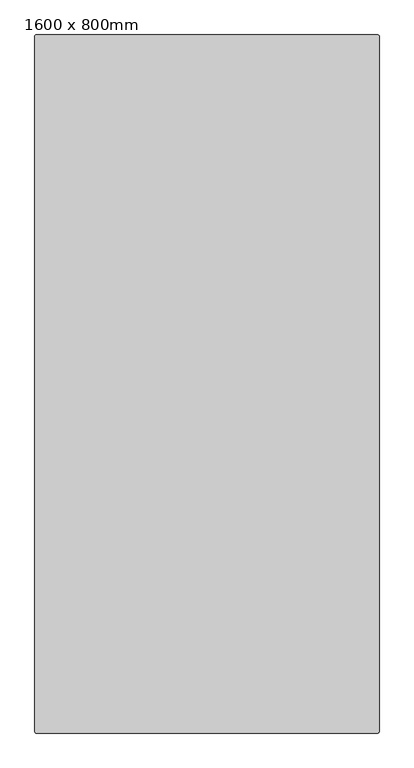
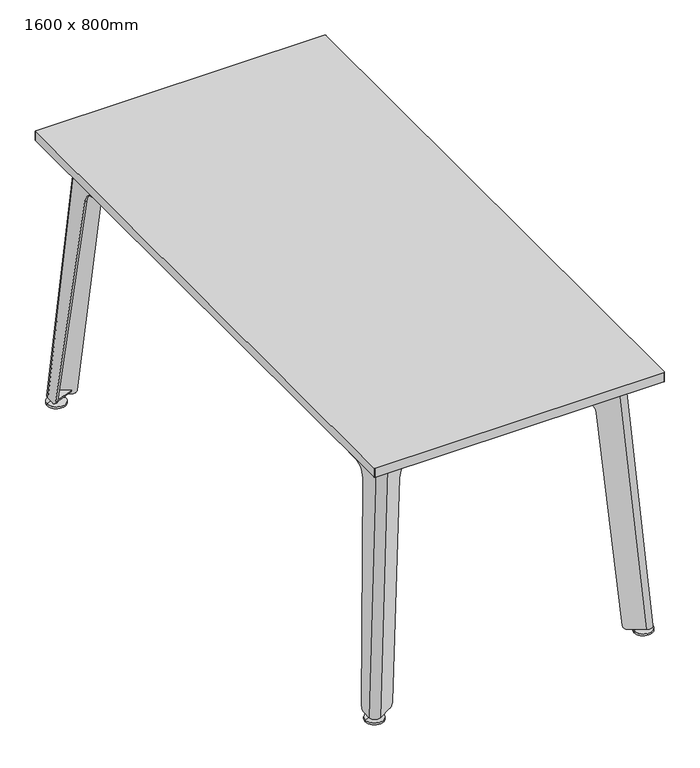
"""IFC4 building model written with IfcOpenShell, lengths in millimetres: furniture geometry, 1600 x 800mm."""

from ifc_helpers import new_model, si_unit, point, frame, frame_2d, origin, place, context, project, spatial, polyline, circle_curve, ellipse_curve, trimmed, segment, composite_curve, outline, extrude, faceted_brep, source, transform, mapped, element, save
from ifc_brep_helpers import plane_surface, cylinder_surface, revolved_surface, extruded_surface, advanced_brep


def furniture_1600_x_800mm_7e62d17c(model_context):
    return source(origin(), model_context, "Body", "SolidModel", [
        advanced_brep(
        [(361.05, -739.6, 0.0), (336.05, -739.6, 0.0), (386.05, -739.6, 0.0), (336.05, -739.6, 5.0), (386.05, -739.6, 5.0), (356.05, -739.6, 14.0), (366.05, -739.6, 14.0), (361.05, -739.6, 14.0)],
        [
            (0, 1),
            (1, 2, circle_curve(frame((361.05, -739.6, 0.0), z_axis=(0.0, 0.0, -1.0), x_axis=(-1.0, 0.0, 0.0)), 25.0)),
            (2, 0),
            (2, 1, circle_curve(frame((361.05, -739.6, 0.0), z_axis=(0.0, 0.0, -1.0), x_axis=(-1.0, 0.0, 0.0)), 25.0)),
            (1, 3),
            (3, 4, circle_curve(frame((361.05, -739.6, 5.0), z_axis=(0.0, 0.0, -1.0), x_axis=(-1.0, 0.0, 0.0)), 25.0)),
            (4, 2),
            (4, 3, circle_curve(frame((361.05, -739.6, 5.0), z_axis=(0.0, 0.0, -1.0), x_axis=(-1.0, 0.0, 0.0)), 25.0)),
            (3, 5),
            (5, 6, circle_curve(frame((361.05, -739.6, 14.0), z_axis=(0.0, 0.0, -1.0), x_axis=(-1.0, 0.0, 0.0)), 5.0)),
            (6, 4),
            (6, 5, circle_curve(frame((361.05, -739.6, 14.0), z_axis=(0.0, 0.0, -1.0), x_axis=(-1.0, 0.0, 0.0)), 5.0)),
            (5, 7),
            (7, 6),
        ],
        [
            plane_surface(frame((361.05, -739.6, 0.0), z_axis=(0.0, 0.0, -1.0), x_axis=(-1.0, 0.0, 0.0))),
            cylinder_surface(frame((361.05, -739.6, -2.6616967), z_axis=(0.0, 0.0, -1.0), x_axis=(-1.0, 0.0, 0.0)), 25.0),
            revolved_surface(polyline([(356.05, -739.6, 14.0), (336.05, -739.6, 5.0)]), (361.05, -739.6, -2.6616967), (0.0, 0.0, -1.0)),
            plane_surface(frame((361.05, -739.6, 14.0), z_axis=(0.0, 0.0, 1.0), x_axis=(-1.0, 0.0, 0.0))),
        ],
        [
            (0, [[1, 2, 3]]),
            (0, [[-3, 4, -1]]),
            (1, [[-2, 5, 6, 7]]),
            (1, [[-4, -7, 8, -5]]),
            (2, [[-6, 9, 10, 11]]),
            (2, [[-8, -11, 12, -9]]),
            (3, [[-10, 13, 14]]),
            (3, [[-12, -14, -13]]),
        ],
    ),
        advanced_brep(
        [(386.05, 739.6, 0.0), (336.05, 739.6, 0.0), (361.05, 739.6, 0.0), (386.05, 739.6, 5.0), (336.05, 739.6, 5.0), (366.05, 739.6, 14.0), (356.05, 739.6, 14.0), (361.05, 739.6, 14.0)],
        [
            (0, 1, circle_curve(frame((361.05, 739.6, 0.0), z_axis=(0.0, 0.0, -1.0), x_axis=(-1.0, 0.0, 0.0)), 25.0)),
            (1, 2),
            (2, 0),
            (1, 0, circle_curve(frame((361.05, 739.6, 0.0), z_axis=(0.0, 0.0, -1.0), x_axis=(-1.0, 0.0, 0.0)), 25.0)),
            (3, 4, circle_curve(frame((361.05, 739.6, 5.0), z_axis=(0.0, 0.0, -1.0), x_axis=(-1.0, 0.0, 0.0)), 25.0)),
            (4, 1),
            (0, 3),
            (4, 3, circle_curve(frame((361.05, 739.6, 5.0), z_axis=(0.0, 0.0, -1.0), x_axis=(-1.0, 0.0, 0.0)), 25.0)),
            (5, 6, circle_curve(frame((361.05, 739.6, 14.0), z_axis=(0.0, 0.0, -1.0), x_axis=(-1.0, 0.0, 0.0)), 5.0)),
            (6, 4),
            (3, 5),
            (6, 5, circle_curve(frame((361.05, 739.6, 14.0), z_axis=(0.0, 0.0, -1.0), x_axis=(-1.0, 0.0, 0.0)), 5.0)),
            (7, 6),
            (5, 7),
        ],
        [
            plane_surface(frame((361.05, 739.6, 0.0), z_axis=(0.0, 0.0, -1.0), x_axis=(-1.0, 0.0, 0.0))),
            cylinder_surface(frame((361.05, 739.6, -2.6616967), z_axis=(0.0, 0.0, 1.0), x_axis=(-1.0, 0.0, 0.0)), 25.0),
            revolved_surface(polyline([(336.05, 739.6, 5.0), (356.05, 739.6, 14.0)]), (361.05, 739.6, -2.6616967), (0.0, 0.0, 1.0)),
            plane_surface(frame((361.05, 739.6, 14.0), z_axis=(0.0, 0.0, 1.0), x_axis=(-1.0, 0.0, 0.0))),
        ],
        [
            (0, [[1, 2, 3]]),
            (0, [[4, -3, -2]]),
            (1, [[5, 6, -1, 7]]),
            (1, [[8, -7, -4, -6]]),
            (2, [[9, 10, -5, 11]]),
            (2, [[12, -11, -8, -10]]),
            (3, [[13, -9, 14]]),
            (3, [[-14, -12, -13]]),
        ],
    ),
        advanced_brep(
        [(-386.05, -739.6, 0.0), (-336.05, -739.6, 0.0), (-361.05, -739.6, 0.0), (-386.05, -739.6, 5.0), (-336.05, -739.6, 5.0), (-366.05, -739.6, 14.0), (-356.05, -739.6, 14.0), (-361.05, -739.6, 14.0)],
        [
            (0, 1, circle_curve(frame((-361.05, -739.6, 0.0), z_axis=(0.0, 0.0, -1.0), x_axis=(1.0, 0.0, 0.0)), 25.0)),
            (1, 2),
            (2, 0),
            (1, 0, circle_curve(frame((-361.05, -739.6, 0.0), z_axis=(0.0, 0.0, -1.0), x_axis=(1.0, 0.0, 0.0)), 25.0)),
            (3, 4, circle_curve(frame((-361.05, -739.6, 5.0), z_axis=(0.0, 0.0, -1.0), x_axis=(1.0, 0.0, 0.0)), 25.0)),
            (4, 1),
            (0, 3),
            (4, 3, circle_curve(frame((-361.05, -739.6, 5.0), z_axis=(0.0, 0.0, -1.0), x_axis=(1.0, 0.0, 0.0)), 25.0)),
            (5, 6, circle_curve(frame((-361.05, -739.6, 14.0), z_axis=(0.0, 0.0, -1.0), x_axis=(1.0, 0.0, 0.0)), 5.0)),
            (6, 4),
            (3, 5),
            (6, 5, circle_curve(frame((-361.05, -739.6, 14.0), z_axis=(0.0, 0.0, -1.0), x_axis=(1.0, 0.0, 0.0)), 5.0)),
            (7, 6),
            (5, 7),
        ],
        [
            plane_surface(frame((-361.05, -739.6, 0.0), z_axis=(0.0, 0.0, -1.0), x_axis=(1.0, 0.0, 0.0))),
            cylinder_surface(frame((-361.05, -739.6, -2.6616967), z_axis=(0.0, 0.0, 1.0), x_axis=(1.0, 0.0, 0.0)), 25.0),
            revolved_surface(polyline([(-336.05, -739.6, 5.0), (-356.05, -739.6, 14.0)]), (-361.05, -739.6, -2.6616967), (0.0, 0.0, 1.0)),
            plane_surface(frame((-361.05, -739.6, 14.0), z_axis=(0.0, 0.0, 1.0), x_axis=(1.0, 0.0, 0.0))),
        ],
        [
            (0, [[1, 2, 3]]),
            (0, [[4, -3, -2]]),
            (1, [[5, 6, -1, 7]]),
            (1, [[8, -7, -4, -6]]),
            (2, [[9, 10, -5, 11]]),
            (2, [[12, -11, -8, -10]]),
            (3, [[13, -9, 14]]),
            (3, [[-14, -12, -13]]),
        ],
    ),
        extrude(outline(composite_curve([segment(trimmed(circle_curve(frame_2d((-361.05, 739.6)), 3.5), [point((-364.55, 739.6))], [point((-357.55, 739.6))], False, "CARTESIAN"), True, "CONTINUOUS"), segment(trimmed(circle_curve(frame_2d((-361.05, 739.6)), 3.5), [point((-357.55, 739.6))], [point((-364.55, 739.6))], False, "CARTESIAN"), True, "CONTINUOUS")], self_intersect=False)), frame((0.0, 0.0, 14.0), z_axis=(0.0, 0.0, 1.0), x_axis=(1.0, 0.0, 0.0)), (0.0, 0.0, 1.0), 26.0),
        extrude(outline(composite_curve([segment(trimmed(circle_curve(frame_2d((-361.05, -739.6)), 3.5), [point((-364.55, -739.6))], [point((-357.55, -739.6))], False, "CARTESIAN"), True, "CONTINUOUS"), segment(trimmed(circle_curve(frame_2d((-361.05, -739.6)), 3.5), [point((-357.55, -739.6))], [point((-364.55, -739.6))], False, "CARTESIAN"), True, "CONTINUOUS")], self_intersect=False)), frame((0.0, 0.0, 14.0), z_axis=(0.0, 0.0, 1.0), x_axis=(1.0, 0.0, 0.0)), (0.0, 0.0, 1.0), 26.0),
        extrude(outline(composite_curve([segment(trimmed(circle_curve(frame_2d((361.05, 739.6)), 3.5), [point((357.55, 739.6))], [point((364.55, 739.6))], False, "CARTESIAN"), True, "CONTINUOUS"), segment(trimmed(circle_curve(frame_2d((361.05, 739.6)), 3.5), [point((364.55, 739.6))], [point((357.55, 739.6))], False, "CARTESIAN"), True, "CONTINUOUS")], self_intersect=False)), frame((0.0, 0.0, 14.0), z_axis=(0.0, 0.0, 1.0), x_axis=(1.0, 0.0, 0.0)), (0.0, 0.0, 1.0), 26.0),
        extrude(outline(composite_curve([segment(trimmed(circle_curve(frame_2d((361.05, -739.6)), 3.5), [point((357.55, -739.6))], [point((364.55, -739.6))], False, "CARTESIAN"), True, "CONTINUOUS"), segment(trimmed(circle_curve(frame_2d((361.05, -739.6)), 3.5), [point((364.55, -739.6))], [point((357.55, -739.6))], False, "CARTESIAN"), True, "CONTINUOUS")], self_intersect=False)), frame((0.0, 0.0, 14.0), z_axis=(0.0, 0.0, 1.0), x_axis=(1.0, 0.0, 0.0)), (0.0, 0.0, 1.0), 26.0),
        advanced_brep(
        [(-361.05, 739.6, 0.0), (-336.05, 739.6, 0.0), (-386.05, 739.6, 0.0), (-336.05, 739.6, 5.0), (-386.05, 739.6, 5.0), (-356.05, 739.6, 14.0), (-366.05, 739.6, 14.0), (-361.05, 739.6, 14.0)],
        [
            (0, 1),
            (1, 2, circle_curve(frame((-361.05, 739.6, 0.0), z_axis=(0.0, 0.0, -1.0), x_axis=(1.0, 0.0, 0.0)), 25.0)),
            (2, 0),
            (2, 1, circle_curve(frame((-361.05, 739.6, 0.0), z_axis=(0.0, 0.0, -1.0), x_axis=(1.0, 0.0, 0.0)), 25.0)),
            (1, 3),
            (3, 4, circle_curve(frame((-361.05, 739.6, 5.0), z_axis=(0.0, 0.0, -1.0), x_axis=(1.0, 0.0, 0.0)), 25.0)),
            (4, 2),
            (4, 3, circle_curve(frame((-361.05, 739.6, 5.0), z_axis=(0.0, 0.0, -1.0), x_axis=(1.0, 0.0, 0.0)), 25.0)),
            (3, 5),
            (5, 6, circle_curve(frame((-361.05, 739.6, 14.0), z_axis=(0.0, 0.0, -1.0), x_axis=(1.0, 0.0, 0.0)), 5.0)),
            (6, 4),
            (6, 5, circle_curve(frame((-361.05, 739.6, 14.0), z_axis=(0.0, 0.0, -1.0), x_axis=(1.0, 0.0, 0.0)), 5.0)),
            (5, 7),
            (7, 6),
        ],
        [
            plane_surface(frame((-361.05, 739.6, 0.0), z_axis=(0.0, 0.0, -1.0), x_axis=(1.0, 0.0, 0.0))),
            cylinder_surface(frame((-361.05, 739.6, -2.6616967), z_axis=(0.0, 0.0, -1.0), x_axis=(1.0, 0.0, 0.0)), 25.0),
            revolved_surface(polyline([(-356.05, 739.6, 14.0), (-336.05, 739.6, 5.0)]), (-361.05, 739.6, -2.6616967), (0.0, 0.0, -1.0)),
            plane_surface(frame((-361.05, 739.6, 14.0), z_axis=(0.0, 0.0, 1.0), x_axis=(1.0, 0.0, 0.0))),
        ],
        [
            (0, [[1, 2, 3]]),
            (0, [[-3, 4, -1]]),
            (1, [[-2, 5, 6, 7]]),
            (1, [[-4, -7, 8, -5]]),
            (2, [[-6, 9, 10, 11]]),
            (2, [[-8, -11, 12, -9]]),
            (3, [[-10, 13, 14]]),
            (3, [[-12, -14, -13]]),
        ],
    ),
        extrude(outline(composite_curve([segment(polyline([(322.9808212, 735.3583537), (360.05, 756.760254)]), True, "CONTINUOUS"), segment(trimmed(circle_curve(frame_2d((365.05, 748.1)), 10.0), [point((360.05, 756.760254))], [point((375.05, 748.1))], False, "CARTESIAN"), True, "CONTINUOUS"), segment(polyline([(375.05, 748.1), (375.05, 714.3210399), (322.9808212, 735.3583537)]), True, "CONTINUOUS")], self_intersect=False)), frame((0.0, 0.0, 21.0), z_axis=(0.0, 0.0, 1.0), x_axis=(1.0, 0.0, 0.0)), (0.0, 0.0, 1.0), 4.0),
        extrude(outline(composite_curve([segment(trimmed(circle_curve(frame_2d((365.05, -748.1)), 10.0), [point((375.05, -748.1))], [point((360.05, -756.760254))], False, "CARTESIAN"), True, "CONTINUOUS"), segment(polyline([(360.05, -756.760254), (322.9808212, -735.3583537), (375.05, -714.3210399), (375.05, -748.1)]), True, "CONTINUOUS")], self_intersect=False)), frame((0.0, 0.0, 21.0), z_axis=(0.0, 0.0, 1.0), x_axis=(1.0, 0.0, 0.0)), (0.0, 0.0, 1.0), 4.0),
        extrude(outline(composite_curve([segment(polyline([(-375.05, -748.1), (-375.05, -714.3210399), (-322.9808212, -735.3583537), (-360.05, -756.760254)]), True, "CONTINUOUS"), segment(trimmed(circle_curve(frame_2d((-365.05, -748.1)), 10.0), [point((-360.05, -756.760254))], [point((-375.05, -748.1))], False, "CARTESIAN"), True, "CONTINUOUS")], self_intersect=False)), frame((0.0, 0.0, 21.0), z_axis=(0.0, 0.0, 1.0), x_axis=(1.0, 0.0, 0.0)), (0.0, 0.0, 1.0), 4.0),
        extrude(outline(composite_curve([segment(polyline([(-375.05, 714.3210399), (-375.05, 748.1)]), True, "CONTINUOUS"), segment(trimmed(circle_curve(frame_2d((-365.05, 748.1)), 10.0), [point((-375.05, 748.1))], [point((-360.05, 756.760254))], False, "CARTESIAN"), True, "CONTINUOUS"), segment(polyline([(-360.05, 756.760254), (-322.9808212, 735.3583537), (-375.05, 714.3210399)]), True, "CONTINUOUS")], self_intersect=False)), frame((0.0, 0.0, 21.0), z_axis=(0.0, 0.0, 1.0), x_axis=(1.0, 0.0, 0.0)), (0.0, 0.0, 1.0), 4.0),
        extrude(outline(polyline([(725.0, 321.6731884), (725.0, -321.6731884), (650.0, -326.7821909), (650.0, 326.7821909), (725.0, 321.6731884)])), frame((0.0, 578.1, 0.0), z_axis=(0.0, 1.0, 0.0), x_axis=(0.0, 0.0, 1.0)), (0.0, 0.0, 1.0), 30.0),
        advanced_brep(
        [(326.6847758, -698.6, 725.0), (311.6847758, -707.260254, 725.0), (126.8381339, -600.5389956, 725.0), (124.0346814, -604.6939242, 725.0), (309.1847758, -711.5903811, 725.0), (331.6847758, -698.6, 725.0), (331.6847758, -553.6, 725.0), (326.6847758, -553.6, 725.0), (380.05, -748.1, 15.0), (357.55, -761.0903811, 15.0), (320.1773687, -739.5132823, 15.0), (319.1506946, -738.9205317, 15.0), (321.9541471, -734.7656031, 15.0), (322.9808212, -735.3583537, 15.0), (360.05, -756.760254, 15.0), (375.05, -748.1, 15.0), (375.05, -725.1, 15.0), (375.05, -723.8582745, 15.0), (380.05, -723.8582745, 15.0), (380.05, -725.1, 15.0), (379.3214964, -711.9295094, 25.6944107), (338.9185806, -647.013931, 618.8079686), (336.7937783, -612.2216995, 650.0), (336.7937783, -588.6, 650.0), (334.4095771, -553.6, 685.0), (122.9279704, -606.3341536, 650.0), (234.4411085, -670.7162939, 650.0), (264.2004573, -688.8515263, 618.6183037), (308.9474892, -732.7027378, 25.7594387), (311.7509418, -728.5478091, 25.7594387), (267.0039099, -684.6965976, 618.6183037), (237.244561, -666.5613653, 650.0), (125.7314229, -602.1792249, 650.0), (329.4095771, -553.6, 685.0), (331.7937783, -588.6, 650.0), (331.7937783, -612.2216995, 650.0), (333.9185806, -647.013931, 618.8079686), (374.3214964, -711.9295094, 25.6944107)],
        [
            (0, 1, circle_curve(frame((316.6847758, -698.6, 725.0), z_axis=(0.0, 0.0, -1.0), x_axis=(-1.0, 0.0, 0.0)), 10.0)),
            (1, 2),
            (2, 3),
            (3, 4),
            (4, 5, circle_curve(frame((316.6847758, -698.6, 725.0), z_axis=(0.0, 0.0, 1.0), x_axis=(-1.0, 0.0, 0.0)), 15.0)),
            (5, 6),
            (6, 7),
            (7, 0),
            (8, 9, circle_curve(frame((365.05, -748.1, 15.0), z_axis=(0.0, 0.0, -1.0), x_axis=(-1.0, 0.0, 0.0)), 15.0)),
            (9, 10),
            (10, 11),
            (11, 12),
            (12, 13),
            (13, 14),
            (14, 15, circle_curve(frame((365.05, -748.1, 15.0), z_axis=(0.0, 0.0, 1.0), x_axis=(-1.0, 0.0, 0.0)), 10.0)),
            (15, 16),
            (16, 17),
            (17, 18),
            (18, 19),
            (19, 8),
            (5, 8),
            (18, 20, ellipse_curve(frame((379.2325596, -723.8582745, 27.0), z_axis=(0.9976878741576338, 0.0, 0.06796253202185416), x_axis=(-0.06796253202185193, 0.0, 0.9976878741576338)), 12.0278098, 12.0)),
            (20, 21),
            (21, 22, ellipse_curve(frame((339.1779795, -612.2216995, 615.0), z_axis=(-0.9976878741576338, 0.0, -0.06796253202185416), x_axis=(0.06796253202185193, 0.0, -0.9976878741576338)), 35.0811119, 35.0)),
            (22, 23),
            (23, 24, ellipse_curve(frame((334.4095771, -588.6, 685.0), z_axis=(0.9976878741576338, 0.0, 0.06796253202185416), x_axis=(-0.06796253202185193, 0.0, 0.9976878741576338)), 35.0811119, 35.0)),
            (24, 6),
            (4, 9),
            (3, 25),
            (25, 26),
            (26, 27, ellipse_curve(frame((233.9246434, -671.4817342, 615.0), z_axis=(0.49982693311158605, 0.8657256431415392, -0.026308700907390167), x_axis=(0.815397976016699, -0.46009328058169796, 0.35134073756318307)), 35.0979879, 35.0)),
            (27, 28),
            (28, 11, ellipse_curve(frame((319.3277683, -738.658095, 27.0), z_axis=(-0.49982693311158605, -0.8657256431415392, 0.026308700907390167), x_axis=(-0.815397976016699, 0.46009328058169796, -0.35134073756318307)), 12.0335958, 12.0)),
            (1, 14),
            (12, 29, ellipse_curve(frame((322.1312208, -734.5031664, 27.0), z_axis=(0.4998269331115767, 0.8657256431415233, -0.026308700908090163), x_axis=(-0.8153979760142653, 0.4600932805797598, -0.35134073757136935)), 12.0335958, 12.0)),
            (29, 30),
            (30, 31, ellipse_curve(frame((236.7280959, -667.3268056, 615.0), z_axis=(-0.4998269331115767, -0.8657256431415233, 0.026308700908090163), x_axis=(0.8153979760142653, -0.4600932805797598, 0.35134073757136935)), 35.0979879, 35.0)),
            (31, 32),
            (32, 2),
            (0, 15),
            (7, 33),
            (33, 34, ellipse_curve(frame((329.4095771, -588.6, 685.0), z_axis=(-0.997687874157555, 0.0, -0.06796253202301095), x_axis=(-0.06796253202300995, 0.0, 0.9976878741575551)), 35.0811119, 35.0)),
            (34, 35),
            (35, 36, ellipse_curve(frame((334.1779795, -612.2216995, 615.0), z_axis=(0.997687874157555, 0.0, 0.06796253202301095), x_axis=(0.06796253202300995, 0.0, -0.9976878741575551)), 35.0811119, 35.0)),
            (36, 37),
            (37, 17, ellipse_curve(frame((374.2325596, -723.8582745, 27.0), z_axis=(-0.997687874157555, 0.0, -0.06796253202301095), x_axis=(-0.06796253202300995, 0.0, 0.9976878741575551)), 12.0278098, 12.0)),
            (35, 22),
            (21, 36),
            (20, 37),
            (24, 33),
            (23, 34),
            (25, 32),
            (31, 26),
            (30, 27),
            (29, 28),
        ],
        [
            plane_surface(frame((263.5181245, -629.0126588, 725.0), z_axis=(0.0, 0.0, 1.0), x_axis=(-1.0, 0.0, 0.0))),
            plane_surface(frame((355.1846189, -736.0126588, 15.0), z_axis=(0.0, 0.0, -1.0), x_axis=(-1.0, 0.0, 0.0))),
            plane_surface(frame((380.05, -728.1, 15.0), z_axis=(0.9976878741576338, 0.0, 0.06796253202185416), x_axis=(0.0, 1.0, 0.0))),
            extruded_surface(trimmed(circle_curve(frame((365.05, -748.1, 15.0), z_axis=(0.0, 0.0, 1.0), x_axis=(-1.0, 0.0, 0.0)), 15.0), [point((357.55, -761.0903811, 15.0))], [point((380.05, -748.1, 15.0))], True, "CARTESIAN"), (-48.3652242, 49.5, 710.0), 713.3648750197309),
            plane_surface(frame((331.5692379, -746.0903811, 15.0), z_axis=(-0.49982693311158605, -0.8657256431415392, 0.026308700907390167), x_axis=(0.8660254037846741, -0.4999999999995922, 0.0))),
            plane_surface(frame((334.0692379, -741.760254, 15.0), z_axis=(0.4998269331115767, 0.8657256431415233, -0.026308700908090163), x_axis=(-0.8660254037846742, 0.4999999999995921, 0.0))),
            extruded_surface(trimmed(circle_curve(frame((365.05, -748.1, 15.0), z_axis=(0.0, 0.0, -1.0), x_axis=(-1.0, 0.0, 0.0)), 10.0), [point((375.05, -748.1, 15.0))], [point((360.05, -756.760254, 15.0))], True, "CARTESIAN"), (-48.3652242, 49.5, 710.0), 713.3648750197309),
            plane_surface(frame((375.05, -728.1, 15.0), z_axis=(-0.997687874157555, 0.0, -0.06796253202301095), x_axis=(0.0, -1.0, 0.0))),
            revolved_surface(polyline([(341.5621806908659, -577.2216995, 615.0), (331.79377829999993, -577.2216995, 615.0)]), (-400.05, -612.2216995, 615.0), (1.0, 0.0, 0.0)),
            plane_surface(frame((400.05, -647.013931, 618.8079686), z_axis=(0.0, 0.9940637579758494, -0.10879910421934444), x_axis=(-1.0, 0.0, 0.0))),
            cylinder_surface(frame((-400.05, -723.8582745, 27.0), z_axis=(-1.0, 0.0, 0.0), x_axis=(0.0, 1.0, 0.0)), 12.0),
            plane_surface(frame((400.05, -553.6, 725.0), z_axis=(0.0, 1.0, 0.0), x_axis=(-1.0, 0.0, 0.0))),
            cylinder_surface(frame((-400.05, -588.6, 685.0), z_axis=(-1.0, 0.0, 0.0), x_axis=(0.0, 1.0, 0.0)), 35.0),
            plane_surface(frame((400.05, -588.6, 650.0), z_axis=(0.0, 0.0, -1.0), x_axis=(-1.0, 0.0, 0.0))),
            plane_surface(frame((138.3397738, -583.4926955, 725.0), z_axis=(-0.8289526766930678, 0.5593187461576792, 0.0), x_axis=(-0.5593187461576792, -0.8289526766930678, 0.0))),
            revolved_surface(polyline([(209.18063187971325, -645.578105010029, 615.0), (203.4454200836105, -654.0781225804053, 615.0)]), (212.6072727, -703.0756896, 615.0), (0.5593187461576781, 0.8289526766930685, 0.0)),
            plane_surface(frame((273.6760133, -674.8080358, 618.6183037), z_axis=(-0.8245110839363248, 0.5563218729205287, -0.10338010532177885), x_axis=(-0.5593187461576782, -0.8289526766930684, 0.0))),
            cylinder_surface(frame((302.4393381, -763.6880256, 27.0), z_axis=(-0.5593187461576781, -0.8289526766930685, 0.0), x_axis=(-0.8289526766930685, 0.5593187461576781, 0.0)), 12.0),
        ],
        [
            (0, [[1, 2, 3, 4, 5, 6, 7, 8]]),
            (1, [[9, 10, 11, 12, 13, 14, 15, 16, 17, 18, 19, 20]]),
            (2, [[21, -20, -19, 22, 23, 24, 25, 26, 27, -6]]),
            (3, [[-5, 28, -9, -21]]),
            (4, [[-28, -4, 29, 30, 31, 32, 33, -11, -10]]),
            (5, [[34, -14, -13, 35, 36, 37, 38, 39, -2]]),
            (6, [[-1, 40, -15, -34]]),
            (7, [[-40, -8, 41, 42, 43, 44, 45, 46, -17, -16]]),
            (8, [[47, -24, 48, -44]]),
            (9, [[-48, -23, 49, -45]]),
            (10, [[-49, -22, -18, -46]]),
            (11, [[50, -41, -7, -27]]),
            (12, [[-50, -26, 51, -42]]),
            (13, [[-47, -43, -51, -25]]),
            (13, [[52, -38, 53, -30]]),
            (14, [[-3, -39, -52, -29]]),
            (15, [[-53, -37, 54, -31]]),
            (16, [[-54, -36, 55, -32]]),
            (17, [[-55, -35, -12, -33]]),
        ],
    ),
        advanced_brep(
        [(-331.6847758, -698.6, 725.0), (-309.1847758, -711.5903811, 725.0), (-124.0346814, -604.6939242, 725.0), (-126.8381339, -600.5389956, 725.0), (-311.6847758, -707.260254, 725.0), (-326.6847758, -698.6, 725.0), (-326.6847758, -553.6, 725.0), (-331.6847758, -553.6, 725.0), (-375.05, -748.1, 15.0), (-360.05, -756.760254, 15.0), (-322.9808212, -735.3583537, 15.0), (-321.9541471, -734.7656031, 15.0), (-319.1506946, -738.9205317, 15.0), (-320.1773687, -739.5132823, 15.0), (-357.55, -761.0903811, 15.0), (-380.05, -748.1, 15.0), (-380.05, -725.1, 15.0), (-380.05, -723.8582745, 15.0), (-375.05, -723.8582745, 15.0), (-375.05, -725.1, 15.0), (-334.4095771, -553.6, 685.0), (-336.7937783, -588.6, 650.0), (-336.7937783, -612.2216995, 650.0), (-338.9185806, -647.013931, 618.8079686), (-379.3214964, -711.9295094, 25.6944107), (-308.9474892, -732.7027378, 25.7594387), (-264.2004573, -688.8515263, 618.6183037), (-234.4411085, -670.7162939, 650.0), (-122.9279704, -606.3341536, 650.0), (-125.7314229, -602.1792249, 650.0), (-237.244561, -666.5613653, 650.0), (-267.0039099, -684.6965976, 618.6183037), (-311.7509418, -728.5478091, 25.7594387), (-374.3214964, -711.9295094, 25.6944107), (-333.9185806, -647.013931, 618.8079686), (-331.7937783, -612.2216995, 650.0), (-331.7937783, -588.6, 650.0), (-329.4095771, -553.6, 685.0)],
        [
            (0, 1, circle_curve(frame((-316.6847758, -698.6, 725.0), z_axis=(0.0, 0.0, 1.0), x_axis=(1.0, 0.0, 0.0)), 15.0)),
            (1, 2),
            (2, 3),
            (3, 4),
            (4, 5, circle_curve(frame((-316.6847758, -698.6, 725.0), z_axis=(0.0, 0.0, -1.0), x_axis=(1.0, 0.0, 0.0)), 10.0)),
            (5, 6),
            (6, 7),
            (7, 0),
            (8, 9, circle_curve(frame((-365.05, -748.1, 15.0), z_axis=(0.0, 0.0, 1.0), x_axis=(1.0, 0.0, 0.0)), 10.0)),
            (9, 10),
            (10, 11),
            (11, 12),
            (12, 13),
            (13, 14),
            (14, 15, circle_curve(frame((-365.05, -748.1, 15.0), z_axis=(0.0, 0.0, -1.0), x_axis=(1.0, 0.0, 0.0)), 15.0)),
            (15, 16),
            (16, 17),
            (17, 18),
            (18, 19),
            (19, 8),
            (15, 0),
            (7, 20),
            (20, 21, ellipse_curve(frame((-334.4095771, -588.6, 685.0), z_axis=(-0.9976878741576385, 0.0, 0.0679625320217846), x_axis=(-0.06796253202178429, 0.0, -0.9976878741576385)), 35.0811119, 35.0)),
            (21, 22),
            (22, 23, ellipse_curve(frame((-339.1779795, -612.2216995, 615.0), z_axis=(0.9976878741576385, 0.0, -0.0679625320217846), x_axis=(0.06796253202178429, 0.0, 0.9976878741576385)), 35.0811119, 35.0)),
            (23, 24),
            (24, 17, ellipse_curve(frame((-379.2325596, -723.8582745, 27.0), z_axis=(-0.9976878741576385, 0.0, 0.0679625320217846), x_axis=(-0.06796253202178429, 0.0, -0.9976878741576385)), 12.0278098, 12.0)),
            (14, 1),
            (12, 25, ellipse_curve(frame((-319.3277683, -738.658095, 27.0), z_axis=(0.49982693311176235, -0.8657256431414359, 0.026308700907438), x_axis=(-0.8153979760164062, -0.46009328058170684, 0.35134073756385137)), 12.0335958, 12.0)),
            (25, 26),
            (26, 27, ellipse_curve(frame((-233.9246434, -671.4817342, 615.0), z_axis=(-0.49982693311176235, 0.8657256431414359, -0.026308700907438), x_axis=(0.8153979760164062, 0.46009328058170684, -0.35134073756385137)), 35.0979879, 35.0)),
            (27, 28),
            (28, 2),
            (9, 4),
            (3, 29),
            (29, 30),
            (30, 31, ellipse_curve(frame((-236.7280959, -667.3268056, 615.0), z_axis=(0.4998269331117533, -0.8657256431414198, 0.026308700908145903), x_axis=(0.8153979760139419, 0.4600932805797506, -0.3513407375721318)), 35.0979879, 35.0)),
            (31, 32),
            (32, 11, ellipse_curve(frame((-322.1312208, -734.5031664, 27.0), z_axis=(-0.4998269331117533, 0.8657256431414198, -0.026308700908145903), x_axis=(-0.8153979760139419, -0.4600932805797506, 0.3513407375721318)), 12.0335958, 12.0)),
            (8, 5),
            (18, 33, ellipse_curve(frame((-374.2325596, -723.8582745, 27.0), z_axis=(0.9976878741575607, 0.0, -0.06796253202292739), x_axis=(-0.06796253202292686, 0.0, -0.9976878741575607)), 12.0278098, 12.0)),
            (33, 34),
            (34, 35, ellipse_curve(frame((-334.1779795, -612.2216995, 615.0), z_axis=(-0.9976878741575607, 0.0, 0.06796253202292739), x_axis=(0.06796253202292686, 0.0, 0.9976878741575607)), 35.0811119, 35.0)),
            (35, 36),
            (36, 37, ellipse_curve(frame((-329.4095771, -588.6, 685.0), z_axis=(0.9976878741575607, 0.0, -0.06796253202292739), x_axis=(-0.06796253202292686, 0.0, -0.9976878741575607)), 35.0811119, 35.0)),
            (37, 6),
            (22, 35),
            (34, 23),
            (33, 24),
            (37, 20),
            (36, 21),
            (27, 30),
            (29, 28),
            (26, 31),
            (25, 32),
        ],
        [
            plane_surface(frame((-263.5181245, -629.0126588, 725.0), z_axis=(0.0, 0.0, 1.0), x_axis=(0.0, -1.0, 0.0))),
            plane_surface(frame((-355.1846189, -736.0126588, 15.0), z_axis=(0.0, 0.0, -1.0), x_axis=(0.0, -1.0, 0.0))),
            plane_surface(frame((-380.05, -728.1, 15.0), z_axis=(-0.9976878741576385, 0.0, 0.0679625320217846), x_axis=(0.0, -1.0, 0.0))),
            extruded_surface(trimmed(circle_curve(frame((-365.05, -748.1, 15.0), z_axis=(0.0, 0.0, 1.0), x_axis=(1.0, 0.0, 0.0)), 15.0), [point((-380.05, -748.1, 15.0))], [point((-357.55, -761.0903811, 15.0))], True, "CARTESIAN"), (48.3652242, 49.5, 710.0), 713.3648750197309),
            plane_surface(frame((-331.5692379, -746.0903811, 15.0), z_axis=(0.49982693311176235, -0.8657256431414359, 0.026308700907438), x_axis=(0.8660254037845718, 0.4999999999997693, 0.0))),
            plane_surface(frame((-334.0692379, -741.760254, 15.0), z_axis=(-0.4998269331117533, 0.8657256431414198, -0.026308700908145903), x_axis=(-0.8660254037845718, -0.4999999999997695, 0.0))),
            extruded_surface(trimmed(circle_curve(frame((-365.05, -748.1, 15.0), z_axis=(0.0, 0.0, -1.0), x_axis=(1.0, 0.0, 0.0)), 10.0), [point((-360.05, -756.760254, 15.0))], [point((-375.05, -748.1, 15.0))], True, "CARTESIAN"), (48.3652242, 49.5, 710.0), 713.3648750197309),
            plane_surface(frame((-375.05, -728.1, 15.0), z_axis=(0.9976878741575607, 0.0, -0.06796253202292739), x_axis=(0.0, 1.0, 0.0))),
            revolved_surface(polyline([(-331.7937783, -577.2216995, 615.0), (-341.56218069086356, -577.2216995, 615.0)]), (-400.05, -612.2216995, 615.0), (1.0, 0.0, 0.0)),
            plane_surface(frame((400.05, -647.013931, 618.8079686), z_axis=(0.0, 0.9940637579758494, -0.10879910421934444), x_axis=(-1.0, 0.0, 0.0))),
            cylinder_surface(frame((-400.05, -723.8582745, 27.0), z_axis=(-1.0, 0.0, 0.0), x_axis=(0.0, 1.0, 0.0)), 12.0),
            plane_surface(frame((400.05, -553.6, 725.0), z_axis=(0.0, 1.0, 0.0), x_axis=(-1.0, 0.0, 0.0))),
            cylinder_surface(frame((-400.05, -588.6, 685.0), z_axis=(-1.0, 0.0, 0.0), x_axis=(0.0, 1.0, 0.0)), 35.0),
            plane_surface(frame((400.05, -588.6, 650.0), z_axis=(0.0, 0.0, -1.0), x_axis=(-1.0, 0.0, 0.0))),
            plane_surface(frame((-106.1161207, -631.2505861, 725.0), z_axis=(0.8289526766929676, 0.5593187461578277, 0.0), x_axis=(-0.5593187461578277, 0.8289526766929676, 0.0))),
            revolved_surface(polyline([(-203.4454200981105, -654.0781225901812, 615.0), (-209.18063189421466, -645.5781050198062, 615.0)]), (-244.8053249, -655.3557415, 615.0), (0.5593187461578271, -0.8289526766929679, 0.0)),
            plane_surface(frame((-241.4523602, -722.5659264, 618.6183037), z_axis=(0.8245110839362247, 0.5563218729206763, -0.10338010532178174), x_axis=(-0.5593187461578267, 0.8289526766929681, 0.0))),
            cylinder_surface(frame((-334.6373903, -715.9680775, 27.0), z_axis=(-0.5593187461578271, 0.8289526766929679, 0.0), x_axis=(0.8289526766929679, 0.5593187461578271, 0.0)), 12.0),
        ],
        [
            (0, [[1, 2, 3, 4, 5, 6, 7, 8]]),
            (1, [[9, 10, 11, 12, 13, 14, 15, 16, 17, 18, 19, 20]]),
            (2, [[21, -8, 22, 23, 24, 25, 26, 27, -17, -16]]),
            (3, [[-1, -21, -15, 28]]),
            (4, [[-28, -14, -13, 29, 30, 31, 32, 33, -2]]),
            (5, [[34, -4, 35, 36, 37, 38, 39, -11, -10]]),
            (6, [[-5, -34, -9, 40]]),
            (7, [[-40, -20, -19, 41, 42, 43, 44, 45, 46, -6]]),
            (8, [[47, -43, 48, -25]]),
            (9, [[-48, -42, 49, -26]]),
            (10, [[-49, -41, -18, -27]]),
            (11, [[50, -22, -7, -46]]),
            (12, [[-50, -45, 51, -23]]),
            (13, [[-47, -24, -51, -44]]),
            (13, [[52, -36, 53, -32]]),
            (14, [[-3, -33, -53, -35]]),
            (15, [[-52, -31, 54, -37]]),
            (16, [[-54, -30, 55, -38]]),
            (17, [[-55, -29, -12, -39]]),
        ],
    ),
        extrude(outline(polyline([(650.0, 326.7821909), (725.0, 321.6731884), (725.0, -321.6731884), (650.0, -326.7821909), (650.0, 326.7821909)])), frame((0.0, -608.1, 0.0), z_axis=(0.0, 1.0, 0.0), x_axis=(0.0, 0.0, 1.0)), (0.0, 0.0, 1.0), 30.0),
        extrude(outline(polyline([(725.0, 326.6847758), (725.0, 321.6731884), (650.0, 326.7821909), (650.0, 331.7937783), (725.0, 326.6847758)])), frame((0.0, -608.1, 0.0), z_axis=(0.0, 1.0, 0.0), x_axis=(0.0, 0.0, 1.0)), (0.0, 0.0, 1.0), 1216.2),
        extrude(outline(polyline([(725.0, -326.6847758), (650.0, -331.7937783), (650.0, -326.7821909), (725.0, -321.6731884), (725.0, -326.6847758)])), frame((0.0, -608.1, 0.0), z_axis=(0.0, 1.0, 0.0), x_axis=(0.0, 0.0, 1.0)), (0.0, 0.0, 1.0), 1216.2),
        advanced_brep(
        [(331.6847758, 698.6, 725.0), (309.1847758, 711.5903811, 725.0), (124.0346814, 604.6939242, 725.0), (126.8381339, 600.5389956, 725.0), (311.6847758, 707.260254, 725.0), (326.6847758, 698.6, 725.0), (326.6847758, 553.6, 725.0), (331.6847758, 553.6, 725.0), (375.05, 748.1, 15.0), (360.05, 756.760254, 15.0), (322.9808212, 735.3583537, 15.0), (321.9541471, 734.7656031, 15.0), (319.1506946, 738.9205317, 15.0), (320.1773687, 739.5132823, 15.0), (357.55, 761.0903811, 15.0), (380.05, 748.1, 15.0), (380.05, 725.1, 15.0), (380.05, 723.8582745, 15.0), (375.05, 723.8582745, 15.0), (375.05, 725.1, 15.0), (334.4095771, 553.6, 685.0), (336.7937783, 588.6, 650.0), (336.7937783, 612.2216995, 650.0), (338.9185806, 647.013931, 618.8079686), (379.3214964, 711.9295094, 25.6944107), (308.9474892, 732.7027378, 25.7594387), (264.2004573, 688.8515263, 618.6183037), (234.4411085, 670.7162939, 650.0), (133.125499, 612.2216995, 650.0), (122.9279704, 606.3341536, 650.0), (125.7314229, 602.1792249, 650.0), (143.125499, 612.2216995, 650.0), (237.244561, 666.5613653, 650.0), (267.0039099, 684.6965976, 618.6183037), (311.7509418, 728.5478091, 25.7594387), (374.3214964, 711.9295094, 25.6944107), (333.9185806, 647.013931, 618.8079686), (331.7937783, 612.2216995, 650.0), (331.7937783, 588.6, 650.0), (329.4095771, 553.6, 685.0)],
        [
            (0, 1, circle_curve(frame((316.6847758, 698.6, 725.0), z_axis=(0.0, 0.0, 1.0), x_axis=(-1.0, 0.0, 0.0)), 15.0)),
            (1, 2),
            (2, 3),
            (3, 4),
            (4, 5, circle_curve(frame((316.6847758, 698.6, 725.0), z_axis=(0.0, 0.0, -1.0), x_axis=(-1.0, 0.0, 0.0)), 10.0)),
            (5, 6),
            (6, 7),
            (7, 0),
            (8, 9, circle_curve(frame((365.05, 748.1, 15.0), z_axis=(0.0, 0.0, 1.0), x_axis=(-1.0, 0.0, 0.0)), 10.0)),
            (9, 10),
            (10, 11),
            (11, 12),
            (12, 13),
            (13, 14),
            (14, 15, circle_curve(frame((365.05, 748.1, 15.0), z_axis=(0.0, 0.0, -1.0), x_axis=(-1.0, 0.0, 0.0)), 15.0)),
            (15, 16),
            (16, 17),
            (17, 18),
            (18, 19),
            (19, 8),
            (15, 0),
            (7, 20),
            (20, 21, ellipse_curve(frame((334.4095771, 588.6, 685.0), z_axis=(0.9976878741576406, 0.0, 0.06796253202175448), x_axis=(-0.06796253202175233, 0.0, 0.9976878741576407)), 35.0811119, 35.0)),
            (21, 22),
            (22, 23, ellipse_curve(frame((339.1779795, 612.2216995, 615.0), z_axis=(-0.9976878741576406, 0.0, -0.06796253202175448), x_axis=(0.06796253202175233, 0.0, -0.9976878741576407)), 35.0811119, 35.0)),
            (23, 24),
            (24, 17, ellipse_curve(frame((379.2325596, 723.8582745, 27.0), z_axis=(0.9976878741576406, 0.0, 0.06796253202175448), x_axis=(-0.06796253202175233, 0.0, 0.9976878741576407)), 12.0278098, 12.0)),
            (14, 1),
            (12, 25, ellipse_curve(frame((319.3277683, 738.658095, 27.0), z_axis=(-0.4998269331116843, 0.8657256431414784, 0.026308700907525594), x_axis=(0.8153979760146411, 0.4600932805803847, 0.3513407375696793)), 12.0335958, 12.0)),
            (25, 26),
            (26, 27, ellipse_curve(frame((233.9246434, 671.4817342, 615.0), z_axis=(0.4998269331116843, -0.8657256431414784, -0.026308700907525594), x_axis=(-0.8153979760146411, -0.4600932805803847, -0.3513407375696793)), 35.0979879, 35.0)),
            (27, 28),
            (28, 29),
            (29, 2),
            (9, 4),
            (3, 30),
            (30, 31),
            (31, 32),
            (32, 33, ellipse_curve(frame((236.7280959, 667.3268056, 615.0), z_axis=(-0.49982693311167536, 0.8657256431414632, 0.02630870090819311), x_axis=(-0.8153979760123221, -0.4600932805785331, -0.3513407375774857)), 35.0979879, 35.0)),
            (33, 34),
            (34, 11, ellipse_curve(frame((322.1312208, 734.5031664, 27.0), z_axis=(0.49982693311167536, -0.8657256431414632, -0.02630870090819311), x_axis=(0.8153979760123221, 0.4600932805785331, 0.3513407375774857)), 12.0335958, 12.0)),
            (8, 5),
            (18, 35, ellipse_curve(frame((374.2325596, 723.8582745, 27.0), z_axis=(-0.9976878741575674, 0.0, -0.06796253202282834), x_axis=(-0.06796253202282662, 0.0, 0.9976878741575675)), 12.0278098, 12.0)),
            (35, 36),
            (36, 37, ellipse_curve(frame((334.1779795, 612.2216995, 615.0), z_axis=(0.9976878741575674, 0.0, 0.06796253202282834), x_axis=(0.06796253202282662, 0.0, -0.9976878741575675)), 35.0811119, 35.0)),
            (37, 38),
            (38, 39, ellipse_curve(frame((329.4095771, 588.6, 685.0), z_axis=(-0.9976878741575674, 0.0, -0.06796253202282834), x_axis=(-0.06796253202282662, 0.0, 0.9976878741575675)), 35.0811119, 35.0)),
            (39, 6),
            (29, 30),
            (27, 32),
            (26, 33),
            (25, 34),
            (36, 23),
            (22, 37),
            (35, 24),
            (39, 20),
            (38, 21),
        ],
        [
            plane_surface(frame((263.5181245, 629.0126588, 725.0), z_axis=(0.0, 0.0, 1.0), x_axis=(0.0, 1.0, 0.0))),
            plane_surface(frame((355.1846189, 736.0126588, 15.0), z_axis=(0.0, 0.0, -1.0), x_axis=(0.0, 1.0, 0.0))),
            plane_surface(frame((380.05, 728.1, 15.0), z_axis=(0.9976878741576406, 0.0, 0.06796253202175448), x_axis=(0.0, 1.0, 0.0))),
            extruded_surface(trimmed(circle_curve(frame((365.05, 748.1, 15.0), z_axis=(0.0, 0.0, 1.0), x_axis=(-1.0, 0.0, 0.0)), 15.0), [point((380.05, 748.1, 15.0))], [point((357.55, 761.0903811, 15.0))], True, "CARTESIAN"), (-48.3652242, -49.5, 710.0), 713.3648750197309),
            plane_surface(frame((331.5692379, 746.0903811, 15.0), z_axis=(-0.4998269331116843, 0.8657256431414784, 0.026308700907525594), x_axis=(-0.8660254037846163, -0.4999999999996923, 0.0))),
            plane_surface(frame((334.0692379, 741.760254, 15.0), z_axis=(0.49982693311167536, -0.8657256431414632, -0.02630870090819311), x_axis=(0.8660254037846163, 0.4999999999996922, 0.0))),
            extruded_surface(trimmed(circle_curve(frame((365.05, 748.1, 15.0), z_axis=(0.0, 0.0, -1.0), x_axis=(-1.0, 0.0, 0.0)), 10.0), [point((360.05, 756.760254, 15.0))], [point((375.05, 748.1, 15.0))], True, "CARTESIAN"), (-48.3652242, -49.5, 710.0), 713.3648750197309),
            plane_surface(frame((375.05, 728.1, 15.0), z_axis=(-0.9976878741575674, 0.0, -0.06796253202282834), x_axis=(0.0, -1.0, 0.0))),
            plane_surface(frame((106.1161207, 631.2505861, 725.0), z_axis=(-0.8289526766936264, -0.5593187461568513, 0.0), x_axis=(0.5593187461568513, -0.8289526766936264, 0.0))),
            plane_surface(frame((106.1161207, 631.2505861, 650.0), z_axis=(0.0, 0.0, -1.0), x_axis=(0.5593187461568527, -0.8289526766936254, 0.0))),
            revolved_surface(polyline([(203.4454200981284, 654.0781225902011, 615.0), (209.18063189418362, 645.5781050198772, 615.0)]), (244.8053249, 655.3557415, 615.0), (-0.5593187461568517, 0.8289526766936262, 0.0)),
            plane_surface(frame((241.4523602, 722.5659264, 618.6183037), z_axis=(-0.8245110839368787, -0.5563218729197068, -0.10338010532178377), x_axis=(0.5593187461568522, -0.8289526766936257, 0.0))),
            cylinder_surface(frame((334.6373903, 715.9680775, 27.0), z_axis=(0.5593187461568517, -0.8289526766936262, 0.0), x_axis=(-0.8289526766936262, -0.5593187461568517, 0.0)), 12.0),
            revolved_surface(polyline([(341.56218069086236, 577.2216995, 615.0), (331.79377829999993, 577.2216995, 615.0)]), (-400.05, 612.2216995, 615.0), (1.0, 0.0, 0.0)),
            plane_surface(frame((400.05, 711.9295094, 25.6944107), z_axis=(0.0, -0.9940637579758486, -0.10879910421935289), x_axis=(-1.0, 0.0, 0.0))),
            cylinder_surface(frame((-400.05, 723.8582745, 27.0), z_axis=(-1.0, 0.0, 0.0), x_axis=(0.0, -1.0, 0.0)), 12.0),
            plane_surface(frame((400.05, 553.6, 685.0), z_axis=(0.0, -1.0, 0.0), x_axis=(-1.0, 0.0, 0.0))),
            cylinder_surface(frame((-400.05, 588.6, 685.0), z_axis=(-1.0, 0.0, 0.0), x_axis=(0.0, -1.0, 0.0)), 35.0),
            plane_surface(frame((400.05, 612.2216995, 650.0), z_axis=(0.0, 0.0, -1.0), x_axis=(-1.0, 0.0, 0.0))),
        ],
        [
            (0, [[1, 2, 3, 4, 5, 6, 7, 8]]),
            (1, [[9, 10, 11, 12, 13, 14, 15, 16, 17, 18, 19, 20]]),
            (2, [[21, -8, 22, 23, 24, 25, 26, 27, -17, -16]]),
            (3, [[-1, -21, -15, 28]]),
            (4, [[-28, -14, -13, 29, 30, 31, 32, 33, 34, -2]]),
            (5, [[35, -4, 36, 37, 38, 39, 40, 41, -11, -10]]),
            (6, [[-5, -35, -9, 42]]),
            (7, [[-42, -20, -19, 43, 44, 45, 46, 47, 48, -6]]),
            (8, [[49, -36, -3, -34]]),
            (9, [[-49, -33, -32, 50, -38, -37]]),
            (10, [[-50, -31, 51, -39]]),
            (11, [[-51, -30, 52, -40]]),
            (12, [[-52, -29, -12, -41]]),
            (13, [[53, -25, 54, -45]]),
            (14, [[-53, -44, 55, -26]]),
            (15, [[-55, -43, -18, -27]]),
            (16, [[56, -22, -7, -48]]),
            (17, [[-56, -47, 57, -23]]),
            (18, [[-57, -46, -54, -24]]),
        ],
    ),
        faceted_brep([(84.0181708, 581.5903811, 725.0), (86.5181708, 577.260254, 725.0), (86.8216233, 577.4354524, 725.0), (86.8079225, 577.455758, 724.0715194)], [[[0, 1, 2]], [[1, 0, 3]], [[1, 3, 2]], [[0, 2, 3]]]),
        faceted_brep([(-86.5181708, 577.260254, 725.0), (-84.0181708, 581.5903811, 725.0), (-86.8216233, 577.4354524, 725.0), (-86.8079225, 577.455758, 724.0715194)], [[[0, 1, 2]], [[1, 0, 3]], [[3, 0, 2]], [[2, 1, 3]]]),
        advanced_brep(
        [(-326.6847758, 698.6, 725.0), (-311.6847758, 707.260254, 725.0), (-126.8381339, 600.5389956, 725.0), (-124.0346814, 604.6939242, 725.0), (-309.1847758, 711.5903811, 725.0), (-331.6847758, 698.6, 725.0), (-331.6847758, 553.6, 725.0), (-326.6847758, 553.6, 725.0), (-380.05, 748.1, 15.0), (-357.55, 761.0903811, 15.0), (-320.1773687, 739.5132823, 15.0), (-319.1506946, 738.9205317, 15.0), (-321.9541471, 734.7656031, 15.0), (-322.9808212, 735.3583537, 15.0), (-360.05, 756.760254, 15.0), (-375.05, 748.1, 15.0), (-375.05, 725.1, 15.0), (-375.05, 723.8582745, 15.0), (-380.05, 723.8582745, 15.0), (-380.05, 725.1, 15.0), (-379.3214964, 711.9295094, 25.6944107), (-338.9185806, 647.013931, 618.8079686), (-336.7937783, 612.2216995, 650.0), (-336.7937783, 588.6, 650.0), (-334.4095771, 553.6, 685.0), (-122.9279704, 606.3341536, 650.0), (-133.125499, 612.2216995, 650.0), (-234.4411085, 670.7162939, 650.0), (-264.2004573, 688.8515263, 618.6183037), (-308.9474892, 732.7027378, 25.7594387), (-311.7509418, 728.5478091, 25.7594387), (-267.0039099, 684.6965976, 618.6183037), (-237.244561, 666.5613653, 650.0), (-143.125499, 612.2216995, 650.0), (-125.7314229, 602.1792249, 650.0), (-329.4095771, 553.6, 685.0), (-331.7937783, 588.6, 650.0), (-331.7937783, 612.2216995, 650.0), (-333.9185806, 647.013931, 618.8079686), (-374.3214964, 711.9295094, 25.6944107)],
        [
            (0, 1, circle_curve(frame((-316.6847758, 698.6, 725.0), z_axis=(0.0, 0.0, -1.0), x_axis=(1.0, 0.0, 0.0)), 10.0)),
            (1, 2),
            (2, 3),
            (3, 4),
            (4, 5, circle_curve(frame((-316.6847758, 698.6, 725.0), z_axis=(0.0, 0.0, 1.0), x_axis=(1.0, 0.0, 0.0)), 15.0)),
            (5, 6),
            (6, 7),
            (7, 0),
            (8, 9, circle_curve(frame((-365.05, 748.1, 15.0), z_axis=(0.0, 0.0, -1.0), x_axis=(1.0, 0.0, 0.0)), 15.0)),
            (9, 10),
            (10, 11),
            (11, 12),
            (12, 13),
            (13, 14),
            (14, 15, circle_curve(frame((-365.05, 748.1, 15.0), z_axis=(0.0, 0.0, 1.0), x_axis=(1.0, 0.0, 0.0)), 10.0)),
            (15, 16),
            (16, 17),
            (17, 18),
            (18, 19),
            (19, 8),
            (5, 8),
            (18, 20, ellipse_curve(frame((-379.2325596, 723.8582745, 27.0), z_axis=(-0.9976878741576349, 0.0, 0.06796253202183788), x_axis=(-0.06796253202183555, 0.0, -0.997687874157635)), 12.0278098, 12.0)),
            (20, 21),
            (21, 22, ellipse_curve(frame((-339.1779795, 612.2216995, 615.0), z_axis=(0.9976878741576349, 0.0, -0.06796253202183788), x_axis=(0.06796253202183555, 0.0, 0.997687874157635)), 35.0811119, 35.0)),
            (22, 23),
            (23, 24, ellipse_curve(frame((-334.4095771, 588.6, 685.0), z_axis=(-0.9976878741576349, 0.0, 0.06796253202183788), x_axis=(-0.06796253202183555, 0.0, -0.997687874157635)), 35.0811119, 35.0)),
            (24, 6),
            (4, 9),
            (3, 25),
            (25, 26),
            (26, 27),
            (27, 28, ellipse_curve(frame((-233.9246434, 671.4817342, 615.0), z_axis=(-0.49982693311165044, -0.8657256431415042, -0.02630870090731858), x_axis=(-0.8153979760164743, 0.4600932805816613, 0.35134073756375284)), 35.0979879, 35.0)),
            (28, 29),
            (29, 11, ellipse_curve(frame((-319.3277683, 738.658095, 27.0), z_axis=(0.49982693311165044, 0.8657256431415042, 0.02630870090731858), x_axis=(0.8153979760164743, -0.4600932805816613, -0.35134073756375284)), 12.0335958, 12.0)),
            (1, 14),
            (12, 30, ellipse_curve(frame((-322.1312208, 734.5031664, 27.0), z_axis=(-0.4998269331116406, -0.8657256431414873, -0.026308700908061308), x_axis=(0.8153979760138933, -0.46009328057960197, -0.3513407375724395)), 12.0335958, 12.0)),
            (30, 31),
            (31, 32, ellipse_curve(frame((-236.7280959, 667.3268056, 615.0), z_axis=(0.4998269331116406, 0.8657256431414873, 0.026308700908061308), x_axis=(-0.8153979760138933, 0.46009328057960197, 0.3513407375724395)), 35.0979879, 35.0)),
            (32, 33),
            (33, 34),
            (34, 2),
            (0, 15),
            (7, 35),
            (35, 36, ellipse_curve(frame((-329.4095771, 588.6, 685.0), z_axis=(0.9976878741575551, 0.0, -0.06796253202300945), x_axis=(-0.06796253202300817, 0.0, -0.9976878741575551)), 35.0811119, 35.0)),
            (36, 37),
            (37, 38, ellipse_curve(frame((-334.1779795, 612.2216995, 615.0), z_axis=(-0.9976878741575551, 0.0, 0.06796253202300945), x_axis=(0.06796253202300817, 0.0, 0.9976878741575551)), 35.0811119, 35.0)),
            (38, 39),
            (39, 17, ellipse_curve(frame((-374.2325596, 723.8582745, 27.0), z_axis=(0.9976878741575551, 0.0, -0.06796253202300945), x_axis=(-0.06796253202300817, 0.0, -0.9976878741575551)), 12.0278098, 12.0)),
            (34, 25),
            (32, 27),
            (31, 28),
            (30, 29),
            (21, 38),
            (37, 22),
            (20, 39),
            (24, 35),
            (23, 36),
        ],
        [
            plane_surface(frame((-263.5181245, 629.0126588, 725.0), z_axis=(0.0, 0.0, 1.0), x_axis=(1.0, 0.0, 0.0))),
            plane_surface(frame((-355.1846189, 736.0126588, 15.0), z_axis=(0.0, 0.0, -1.0), x_axis=(1.0, 0.0, 0.0))),
            plane_surface(frame((-380.05, 728.1, 15.0), z_axis=(-0.9976878741576349, 0.0, 0.06796253202183788), x_axis=(0.0, -1.0, 0.0))),
            extruded_surface(trimmed(circle_curve(frame((-365.05, 748.1, 15.0), z_axis=(0.0, 0.0, 1.0), x_axis=(1.0, 0.0, 0.0)), 15.0), [point((-357.55, 761.0903811, 15.0))], [point((-380.05, 748.1, 15.0))], True, "CARTESIAN"), (48.3652242, -49.5, 710.0), 713.3648750197309),
            plane_surface(frame((-331.5692379, 746.0903811, 15.0), z_axis=(0.49982693311165044, 0.8657256431415042, 0.02630870090731858), x_axis=(-0.8660254037846374, 0.4999999999996557, 0.0))),
            plane_surface(frame((-334.0692379, 741.760254, 15.0), z_axis=(-0.4998269331116406, -0.8657256431414873, -0.026308700908061308), x_axis=(0.8660254037846374, -0.49999999999965566, 0.0))),
            extruded_surface(trimmed(circle_curve(frame((-365.05, 748.1, 15.0), z_axis=(0.0, 0.0, -1.0), x_axis=(1.0, 0.0, 0.0)), 10.0), [point((-375.05, 748.1, 15.0))], [point((-360.05, 756.760254, 15.0))], True, "CARTESIAN"), (48.3652242, -49.5, 710.0), 713.3648750197309),
            plane_surface(frame((-375.05, 728.1, 15.0), z_axis=(0.9976878741575551, 0.0, -0.06796253202300945), x_axis=(0.0, 1.0, 0.0))),
            plane_surface(frame((-138.3397738, 583.4926955, 725.0), z_axis=(0.8289526766932058, -0.5593187461574745, 0.0), x_axis=(0.5593187461574745, 0.8289526766932058, 0.0))),
            plane_surface(frame((-138.3397738, 583.4926955, 650.0), z_axis=(0.0, 0.0, -1.0), x_axis=(0.5593187461574749, 0.8289526766932056, 0.0))),
            revolved_surface(polyline([(-209.18063187969315, 645.5781050100388, 615.0), (-203.4454200836048, 654.0781225803981, 615.0)]), (-212.6072727, 703.0756896, 615.0), (-0.5593187461574747, -0.8289526766932057, 0.0)),
            plane_surface(frame((-273.6760133, 674.8080358, 618.6183037), z_axis=(0.8245110839364609, -0.5563218729203263, -0.10338010532178413), x_axis=(0.5593187461574749, 0.8289526766932056, 0.0))),
            cylinder_surface(frame((-302.4393381, 763.6880256, 27.0), z_axis=(0.5593187461574747, 0.8289526766932057, 0.0), x_axis=(0.8289526766932057, -0.5593187461574747, 0.0)), 12.0),
            revolved_surface(polyline([(-331.7937783, 577.2216995, 615.0), (-341.5621806908653, 577.2216995, 615.0)]), (-400.05, 612.2216995, 615.0), (1.0, 0.0, 0.0)),
            plane_surface(frame((400.05, 711.9295094, 25.6944107), z_axis=(0.0, -0.9940637579758486, -0.10879910421935289), x_axis=(-1.0, 0.0, 0.0))),
            cylinder_surface(frame((-400.05, 723.8582745, 27.0), z_axis=(-1.0, 0.0, 0.0), x_axis=(0.0, -1.0, 0.0)), 12.0),
            plane_surface(frame((400.05, 553.6, 685.0), z_axis=(0.0, -1.0, 0.0), x_axis=(-1.0, 0.0, 0.0))),
            cylinder_surface(frame((-400.05, 588.6, 685.0), z_axis=(-1.0, 0.0, 0.0), x_axis=(0.0, -1.0, 0.0)), 35.0),
            plane_surface(frame((400.05, 612.2216995, 650.0), z_axis=(0.0, 0.0, -1.0), x_axis=(-1.0, 0.0, 0.0))),
        ],
        [
            (0, [[1, 2, 3, 4, 5, 6, 7, 8]]),
            (1, [[9, 10, 11, 12, 13, 14, 15, 16, 17, 18, 19, 20]]),
            (2, [[21, -20, -19, 22, 23, 24, 25, 26, 27, -6]]),
            (3, [[-5, 28, -9, -21]]),
            (4, [[-28, -4, 29, 30, 31, 32, 33, 34, -11, -10]]),
            (5, [[35, -14, -13, 36, 37, 38, 39, 40, 41, -2]]),
            (6, [[-1, 42, -15, -35]]),
            (7, [[-42, -8, 43, 44, 45, 46, 47, 48, -17, -16]]),
            (8, [[49, -29, -3, -41]]),
            (9, [[-49, -40, -39, 50, -31, -30]]),
            (10, [[-50, -38, 51, -32]]),
            (11, [[-51, -37, 52, -33]]),
            (12, [[-52, -36, -12, -34]]),
            (13, [[53, -46, 54, -24]]),
            (14, [[-53, -23, 55, -47]]),
            (15, [[-55, -22, -18, -48]]),
            (16, [[56, -43, -7, -27]]),
            (17, [[-56, -26, 57, -44]]),
            (18, [[-57, -25, -54, -45]]),
        ],
    ),
        extrude(outline(composite_curve([segment(trimmed(circle_curve(frame_2d((387.05, 787.1)), 3.0), [point((387.05, 790.1))], [point((390.05, 787.1))], False, "CARTESIAN"), True, "CONTINUOUS"), segment(polyline([(390.05, 787.1), (390.05, -787.1)]), True, "CONTINUOUS"), segment(trimmed(circle_curve(frame_2d((387.05, -787.1)), 3.0), [point((390.05, -787.1))], [point((387.05, -790.1))], False, "CARTESIAN"), True, "CONTINUOUS"), segment(polyline([(387.05, -790.1), (-387.05, -790.1)]), True, "CONTINUOUS"), segment(trimmed(circle_curve(frame_2d((-387.05, -787.1)), 3.0), [point((-387.05, -790.1))], [point((-390.05, -787.1))], False, "CARTESIAN"), True, "CONTINUOUS"), segment(polyline([(-390.05, -787.1), (-390.05, 787.1)]), True, "CONTINUOUS"), segment(trimmed(circle_curve(frame_2d((-387.05, 787.1)), 3.0), [point((-390.05, 787.1))], [point((-387.05, 790.1))], False, "CARTESIAN"), True, "CONTINUOUS"), segment(polyline([(-387.05, 790.1), (387.05, 790.1)]), True, "CONTINUOUS")], self_intersect=False)), frame((0.0, 0.0, 725.0), z_axis=(0.0, 0.0, 1.0), x_axis=(1.0, 0.0, 0.0)), (0.0, 0.0, 1.0), 25.0),
    ])


if __name__ == "__main__":
    model = new_model("IFC4")
    model_context = context("Model", 3, world=origin())
    ifc_project = project(units=[si_unit("LENGTHUNIT", "METRE", prefix="MILLI")], contexts=[model_context])
    site = spatial("IfcSite", under=ifc_project)
    building = spatial("IfcBuilding", under=site)
    placement = place(None, origin())
    furniture_1600_x_800mm_shape = furniture_1600_x_800mm_7e62d17c(model_context)
    element("IfcFurniture", 1, ObjectType="1600 x 800mm", at=placement, inside=building, context=model_context, shape_type="MappedRepresentation", body=[
        mapped(furniture_1600_x_800mm_shape, transform((0.0, 0.0, 0.0), x_axis=(1.0, 0.0, 0.0), y_axis=(0.0, 1.0, 0.0), z_axis=(0.0, 0.0, 1.0))),
    ])
    save(model, "model.ifc")
